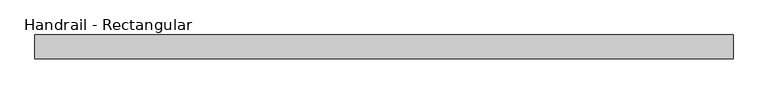
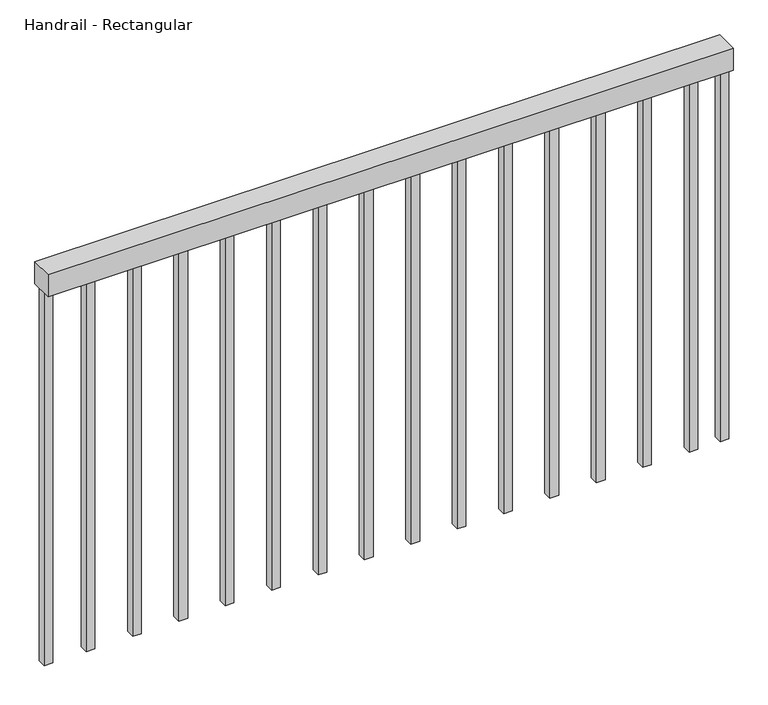
"""IFC4 building model written with IfcOpenShell, lengths in millimetres: railing geometry, Handrail - Rectangular."""

from ifc_helpers import new_model, si_unit, frame, origin, origin_with_axes, place, context, project, spatial, polyline, outline, extrude, source, transform, mapped, element, save


def handrail_rectangular_dc4dc48b(model_context):
    return source(origin(), model_context, "Body", "SweptSolid", [
        extrude(outline(polyline([(18220.9463288, 4605.857897), (18220.9463288, 4656.657897), (19720.9463288, 4656.657897), (19720.9463288, 4605.857897), (18220.9463288, 4605.857897)])), frame((0.0, 0.0, 863.6), z_axis=(0.0, 0.0, 1.0), x_axis=(1.0, 0.0, 0.0)), (0.0, 0.0, 1.0), 50.8),
        extrude(outline(polyline([(19633.8213288, 4621.732897), (19633.8213288, 4640.782897), (19652.8713288, 4640.782897), (19652.8713288, 4621.732897), (19633.8213288, 4621.732897)])), origin_with_axes(), (0.0, 0.0, 1.0), 863.6),
        extrude(outline(polyline([(19532.2213288, 4621.732897), (19532.2213288, 4640.782897), (19551.2713288, 4640.782897), (19551.2713288, 4621.732897), (19532.2213288, 4621.732897)])), origin_with_axes(), (0.0, 0.0, 1.0), 863.6),
        extrude(outline(polyline([(19430.6213288, 4621.732897), (19430.6213288, 4640.782897), (19449.6713288, 4640.782897), (19449.6713288, 4621.732897), (19430.6213288, 4621.732897)])), origin_with_axes(), (0.0, 0.0, 1.0), 863.6),
        extrude(outline(polyline([(19329.0213288, 4621.732897), (19329.0213288, 4640.782897), (19348.0713288, 4640.782897), (19348.0713288, 4621.732897), (19329.0213288, 4621.732897)])), origin_with_axes(), (0.0, 0.0, 1.0), 863.6),
        extrude(outline(polyline([(19227.4213288, 4621.732897), (19227.4213288, 4640.782897), (19246.4713288, 4640.782897), (19246.4713288, 4621.732897), (19227.4213288, 4621.732897)])), origin_with_axes(), (0.0, 0.0, 1.0), 863.6),
        extrude(outline(polyline([(19125.8213288, 4621.732897), (19125.8213288, 4640.782897), (19144.8713288, 4640.782897), (19144.8713288, 4621.732897), (19125.8213288, 4621.732897)])), origin_with_axes(), (0.0, 0.0, 1.0), 863.6),
        extrude(outline(polyline([(19024.2213288, 4621.732897), (19024.2213288, 4640.782897), (19043.2713288, 4640.782897), (19043.2713288, 4621.732897), (19024.2213288, 4621.732897)])), origin_with_axes(), (0.0, 0.0, 1.0), 863.6),
        extrude(outline(polyline([(18922.6213288, 4621.732897), (18922.6213288, 4640.782897), (18941.6713288, 4640.782897), (18941.6713288, 4621.732897), (18922.6213288, 4621.732897)])), origin_with_axes(), (0.0, 0.0, 1.0), 863.6),
        extrude(outline(polyline([(18821.0213288, 4621.732897), (18821.0213288, 4640.782897), (18840.0713288, 4640.782897), (18840.0713288, 4621.732897), (18821.0213288, 4621.732897)])), origin_with_axes(), (0.0, 0.0, 1.0), 863.6),
        extrude(outline(polyline([(18719.4213288, 4621.732897), (18719.4213288, 4640.782897), (18738.4713288, 4640.782897), (18738.4713288, 4621.732897), (18719.4213288, 4621.732897)])), origin_with_axes(), (0.0, 0.0, 1.0), 863.6),
        extrude(outline(polyline([(18617.8213288, 4621.732897), (18617.8213288, 4640.782897), (18636.8713288, 4640.782897), (18636.8713288, 4621.732897), (18617.8213288, 4621.732897)])), origin_with_axes(), (0.0, 0.0, 1.0), 863.6),
        extrude(outline(polyline([(18516.2213288, 4621.732897), (18516.2213288, 4640.782897), (18535.2713288, 4640.782897), (18535.2713288, 4621.732897), (18516.2213288, 4621.732897)])), origin_with_axes(), (0.0, 0.0, 1.0), 863.6),
        extrude(outline(polyline([(18414.6213288, 4621.732897), (18414.6213288, 4640.782897), (18433.6713288, 4640.782897), (18433.6713288, 4621.732897), (18414.6213288, 4621.732897)])), origin_with_axes(), (0.0, 0.0, 1.0), 863.6),
        extrude(outline(polyline([(18313.0213288, 4621.732897), (18313.0213288, 4640.782897), (18332.0713288, 4640.782897), (18332.0713288, 4621.732897), (18313.0213288, 4621.732897)])), origin_with_axes(), (0.0, 0.0, 1.0), 863.6),
        extrude(outline(polyline([(19701.8963288, 4621.732897), (19701.8963288, 4640.782897), (19720.9463288, 4640.782897), (19720.9463288, 4621.732897), (19701.8963288, 4621.732897)])), origin_with_axes(), (0.0, 0.0, 1.0), 863.6),
        extrude(outline(polyline([(18220.9463288, 4621.732897), (18220.9463288, 4640.782897), (18239.9963288, 4640.782897), (18239.9963288, 4621.732897), (18220.9463288, 4621.732897)])), origin_with_axes(), (0.0, 0.0, 1.0), 863.6),
    ])


if __name__ == "__main__":
    model = new_model("IFC4")
    model_context = context("Model", 3, world=origin())
    ifc_project = project(units=[si_unit("LENGTHUNIT", "METRE", prefix="MILLI")], contexts=[model_context])
    site = spatial("IfcSite", under=ifc_project)
    building = spatial("IfcBuilding", under=site)
    placement = place(None, origin())
    handrail_rectangular_shape = handrail_rectangular_dc4dc48b(model_context)
    element("IfcRailing", 1, ObjectType="Handrail - Rectangular", at=placement, inside=building, context=model_context, shape_type="MappedRepresentation", body=[
        mapped(handrail_rectangular_shape, transform((0.0, 0.0, 0.0), x_axis=(1.0, 0.0, 0.0), y_axis=(0.0, 1.0, 0.0), z_axis=(0.0, 0.0, 1.0))),
    ])
    save(model, "model.ifc")
